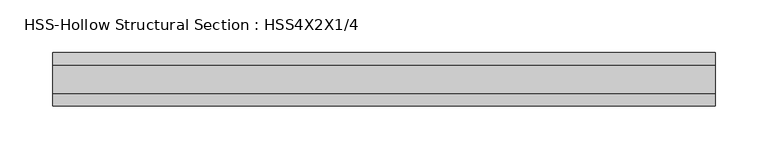
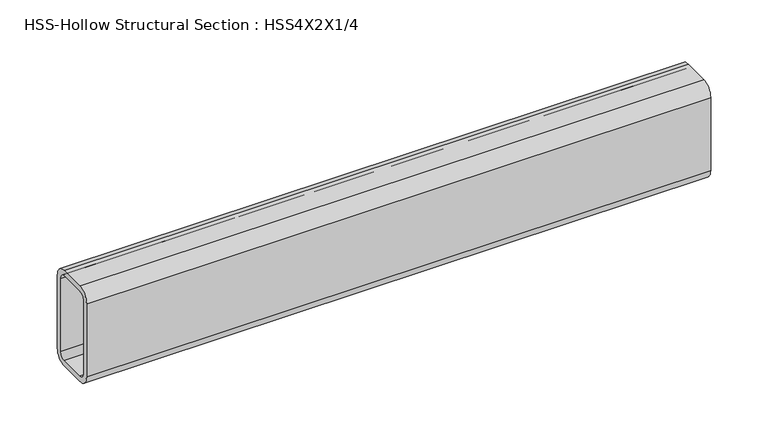
"""IFC4 building model written with IfcOpenShell, lengths in millimetres: beam geometry, HSS-Hollow Structural Section : HSS4X2X1/4."""

from ifc_helpers import new_model, si_unit, point, frame, frame_2d, origin, place, context, project, spatial, polyline, circle_curve, trimmed, segment, composite_curve, outline, extrude, source, transform, mapped, element, save


def hss_hollow_structural_section_hss4x2x1_4_d48de480(model_context):
    return source(origin(), model_context, "Body", "SweptSolid", [
        extrude(outline(composite_curve([segment(polyline([(25.4, 38.9636), (25.4, -38.9636)]), True, "CONTINUOUS"), segment(trimmed(circle_curve(frame_2d((13.5636, -38.9636)), 11.8364), [point((25.4, -38.9636))], [point((13.5636, -50.8))], False, "CARTESIAN"), True, "CONTINUOUS"), segment(polyline([(13.5636, -50.8), (-13.5636, -50.8)]), True, "CONTINUOUS"), segment(trimmed(circle_curve(frame_2d((-13.5636, -38.9636)), 11.8364), [point((-13.5636, -50.8))], [point((-25.4, -38.9636))], False, "CARTESIAN"), True, "CONTINUOUS"), segment(polyline([(-25.4, -38.9636), (-25.4, 38.9636)]), True, "CONTINUOUS"), segment(trimmed(circle_curve(frame_2d((-13.5636, 38.9636)), 11.8364), [point((-25.4, 38.9636))], [point((-13.5636, 50.8))], False, "CARTESIAN"), True, "CONTINUOUS"), segment(polyline([(-13.5636, 50.8), (13.5636, 50.8)]), True, "CONTINUOUS"), segment(trimmed(circle_curve(frame_2d((13.5636, 38.9636)), 11.8364), [point((13.5636, 50.8))], [point((25.4, 38.9636))], False, "CARTESIAN"), True, "CONTINUOUS")], self_intersect=False), holes=[composite_curve([segment(trimmed(circle_curve(frame_2d((-13.5636, 38.9636)), 5.9182), [point((-13.5636, 44.8818))], [point((-19.4818, 38.9636))], True, "CARTESIAN"), True, "CONTINUOUS"), segment(polyline([(-19.4818, 38.9636), (-19.4818, -38.9636)]), True, "CONTINUOUS"), segment(trimmed(circle_curve(frame_2d((-13.5636, -38.9636)), 5.9182), [point((-19.4818, -38.9636))], [point((-13.5636, -44.8818))], True, "CARTESIAN"), True, "CONTINUOUS"), segment(polyline([(-13.5636, -44.8818), (13.5636, -44.8818)]), True, "CONTINUOUS"), segment(trimmed(circle_curve(frame_2d((13.5636, -38.9636)), 5.9182), [point((13.5636, -44.8818))], [point((19.4818, -38.9636))], True, "CARTESIAN"), True, "CONTINUOUS"), segment(polyline([(19.4818, -38.9636), (19.4818, 38.9636)]), True, "CONTINUOUS"), segment(trimmed(circle_curve(frame_2d((13.5636, 38.9636)), 5.9182), [point((19.4818, 38.9636))], [point((13.5636, 44.8818))], True, "CARTESIAN"), True, "CONTINUOUS"), segment(polyline([(13.5636, 44.8818), (-13.5636, 44.8818)]), True, "CONTINUOUS")], self_intersect=False)]), frame((-313.05246, 0.0, 0.0), z_axis=(1.0, 0.0, 0.0), x_axis=(0.0, 1.0, 0.0)), (0.0, 0.0, 1.0), 627.37492),
    ])


if __name__ == "__main__":
    model = new_model("IFC4")
    model_context = context("Model", 3, world=origin())
    ifc_project = project(units=[si_unit("LENGTHUNIT", "METRE", prefix="MILLI")], contexts=[model_context])
    site = spatial("IfcSite", under=ifc_project)
    building = spatial("IfcBuilding", under=site)
    placement = place(None, origin())
    hss_hollow_structural_section_hss4x2x1_4_shape = hss_hollow_structural_section_hss4x2x1_4_d48de480(model_context)
    element("IfcBeam", 1, ObjectType="HSS-Hollow Structural Section : HSS4X2X1/4", at=placement, inside=building, context=model_context, shape_type="MappedRepresentation", body=[
        mapped(hss_hollow_structural_section_hss4x2x1_4_shape, transform((0.0, 0.0, 0.0), x_axis=(1.0, 0.0, 0.0), y_axis=(0.0, 1.0, 0.0), z_axis=(0.0, 0.0, 1.0))),
    ])
    save(model, "model.ifc")
